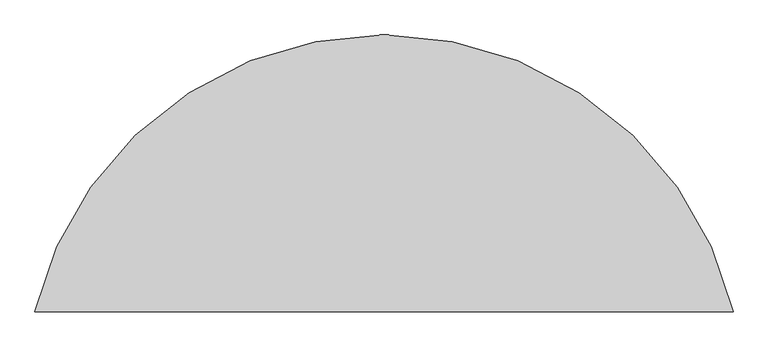
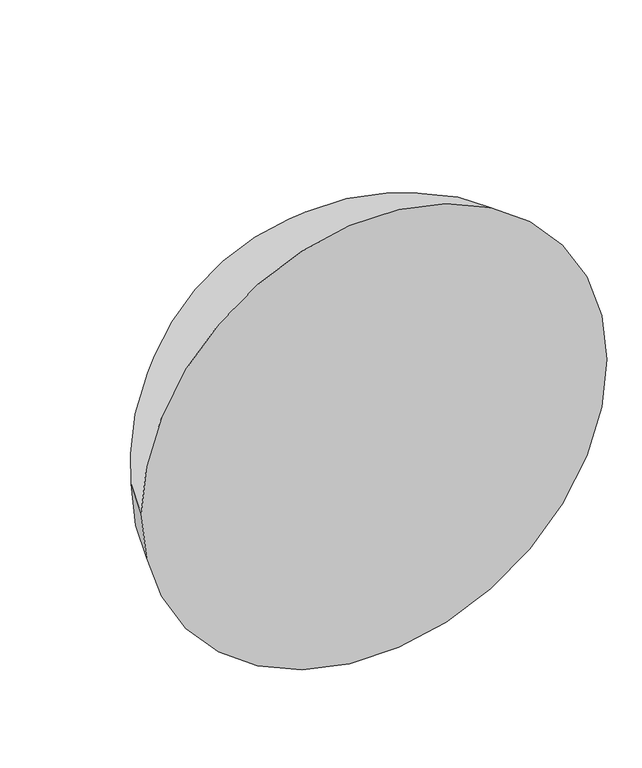
"""IFC4 building model written with IfcOpenShell, lengths in millimetres: proxy geometry."""

from ifc_helpers import new_model, si_unit, point, frame, origin, place, context, project, spatial, circle_curve, ellipse_curve, trimmed, source, transform, mapped, element, save
from ifc_brep_helpers import plane_surface, revolved_surface, advanced_brep


def generic_models_6d2e4a91(model_context):
    return source(origin(), model_context, "Body", "AdvancedBrep", [
        advanced_brep(
        [(39314.5813879, 1228.4202123, 0.0), (40288.1440241, 2000.0, 0.0), (41261.7066603, 1228.4202123, 0.0)],
        [
            (0, 1, circle_curve(frame((40288.1440241, 1000.0, 0.0), z_axis=(0.0, 0.0, -1.0), x_axis=(1.0, 0.0, 0.0)), 1000.0)),
            (1, 2, circle_curve(frame((40288.1440241, 1000.0, 0.0), z_axis=(0.0, 0.0, -1.0), x_axis=(-1.0, 0.0, 0.0)), 1000.0)),
            (2, 0, circle_curve(frame((40288.1440241, 1228.4202123, 0.0), z_axis=(0.0, 1.0, 0.0), x_axis=(-1.0, 0.0, 0.0)), 973.5626362)),
            (0, 2, circle_curve(frame((40288.1440241, 1228.4202123, 0.0), z_axis=(0.0, 1.0, 0.0), x_axis=(-1.0, 0.0, 0.0)), 973.5626362)),
        ],
        [
            revolved_surface(trimmed(ellipse_curve(frame((40288.1440241, 1000.0, 0.0), z_axis=(0.0, 0.0, 1.0), x_axis=(1.0, 0.0, 0.0)), 1000.0, 1000.0), [point((40288.1440241, 2000.0, 0.0))], [point((40288.1440241, 0.0, 0.0))], True, "CARTESIAN"), (40288.1440241, 941.3794929, 0.0), (0.0, -1.0, 0.0)),
            plane_surface(frame((41641.7761332, 1228.4202123, 1585.2721797), z_axis=(0.0, -1.0, 0.0), x_axis=(0.0, 0.0, -1.0))),
        ],
        [
            (0, [[1, 2, 3]]),
            (0, [[-1, 4, -2]]),
            (1, [[-3, -4]]),
        ],
    ),
    ])


if __name__ == "__main__":
    model = new_model("IFC4")
    model_context = context("Model", 3, world=origin())
    ifc_project = project(units=[si_unit("LENGTHUNIT", "METRE", prefix="MILLI")], contexts=[model_context])
    site = spatial("IfcSite", under=ifc_project)
    building = spatial("IfcBuilding", under=site)
    placement = place(None, origin())
    generic_models_shape = generic_models_6d2e4a91(model_context)
    element("IfcBuildingElementProxy", 1, Name="Generic Models", at=placement, inside=building, context=model_context, shape_type="MappedRepresentation", body=[
        mapped(generic_models_shape, transform((0.0, 0.0, 0.0), x_axis=(1.0, 0.0, 0.0), y_axis=(0.0, 1.0, 0.0), z_axis=(0.0, 0.0, 1.0))),
    ])
    save(model, "model.ifc")
